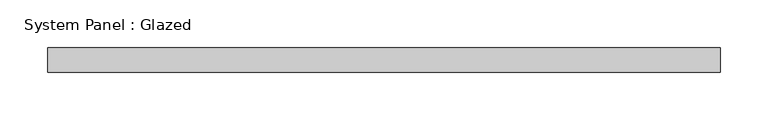
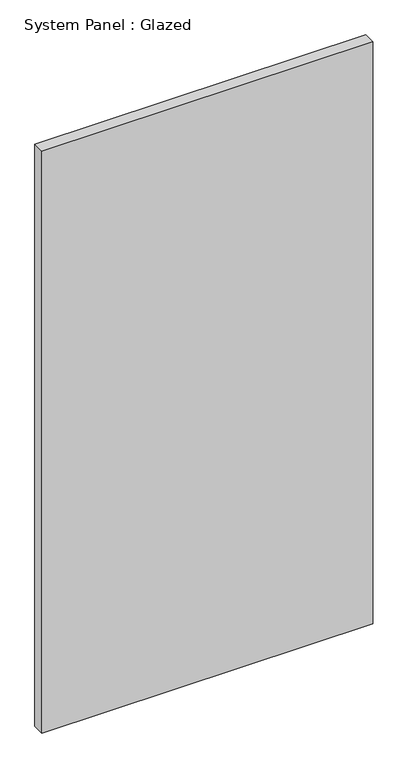
"""IFC4 building model written with IfcOpenShell, lengths in millimetres: plate geometry, System Panel : Glazed."""

from ifc_helpers import new_model, si_unit, origin, origin_with_axes, place, context, project, spatial, polyline, outline, extrude, source, transform, mapped, element, save


def system_panel_glazed_aa9c6f0a(model_context):
    return source(origin(), model_context, "Body", "SweptSolid", [
        extrude(outline(polyline([(350.0437735, -12.7), (-350.0437735, -12.7), (-350.0437735, 12.7), (350.0437735, 12.7), (350.0437735, -12.7)])), origin_with_axes(), (0.0, 0.0, 1.0), 1301.75),
    ])


if __name__ == "__main__":
    model = new_model("IFC4")
    model_context = context("Model", 3, world=origin())
    ifc_project = project(units=[si_unit("LENGTHUNIT", "METRE", prefix="MILLI")], contexts=[model_context])
    site = spatial("IfcSite", under=ifc_project)
    building = spatial("IfcBuilding", under=site)
    placement = place(None, origin())
    system_panel_glazed_shape = system_panel_glazed_aa9c6f0a(model_context)
    element("IfcPlate", 1, ObjectType="System Panel : Glazed", at=placement, inside=building, context=model_context, shape_type="MappedRepresentation", body=[
        mapped(system_panel_glazed_shape, transform((0.0, 0.0, 0.0), x_axis=(1.0, 0.0, 0.0), y_axis=(0.0, 1.0, 0.0), z_axis=(0.0, 0.0, 1.0))),
    ])
    save(model, "model.ifc")
